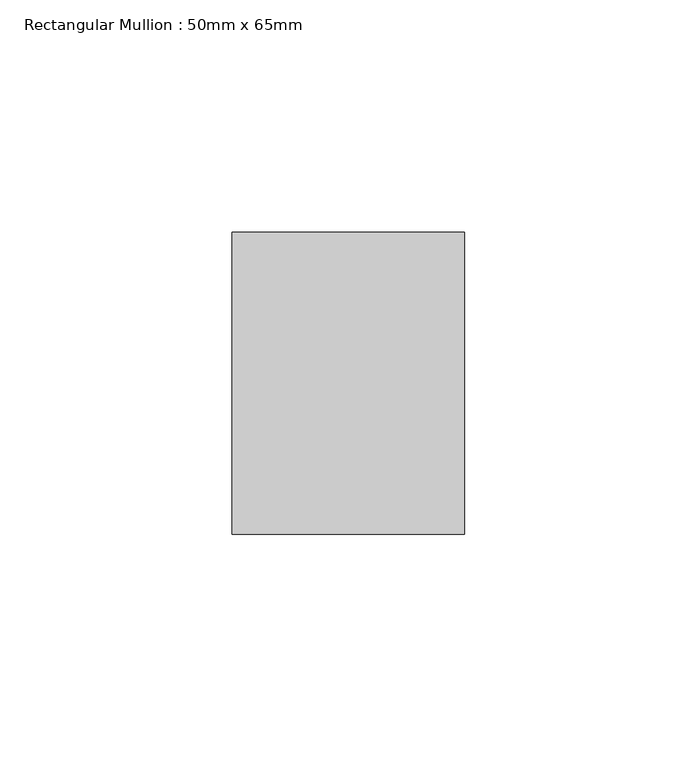
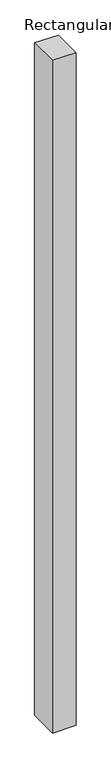
"""IFC4 building model written with IfcOpenShell, lengths in millimetres: member geometry, Rectangular Mullion : 50mm x 65mm."""

from ifc_helpers import new_model, si_unit, origin, place, context, project, spatial, faceted_brep, source, transform, mapped, element, save


def rectangular_mullion_50mm_x_65mm_5584f2d6(model_context):
    return source(origin(), model_context, "Body", "Brep", [
        faceted_brep([(-25.0, 32.5, -0.1835715), (25.0, 32.5, -0.183573), (25.0, 32.5, -1499.7334919), (-25.0, 32.5, -1499.7334942), (-25.0, -32.5, 0.183573), (-25.0, -32.5, -1500.26639), (25.0, -32.5, 0.1835715), (25.0, -32.5, -1500.2663877)], [[[0, 1, 2, 3]], [[4, 0, 3, 5]], [[6, 4, 5, 7]], [[1, 6, 7, 2]], [[1, 0, 4, 6]], [[2, 7, 5, 3]]]),
    ])


if __name__ == "__main__":
    model = new_model("IFC4")
    model_context = context("Model", 3, world=origin())
    ifc_project = project(units=[si_unit("LENGTHUNIT", "METRE", prefix="MILLI")], contexts=[model_context])
    site = spatial("IfcSite", under=ifc_project)
    building = spatial("IfcBuilding", under=site)
    placement = place(None, origin())
    rectangular_mullion_50mm_x_65mm_shape = rectangular_mullion_50mm_x_65mm_5584f2d6(model_context)
    element("IfcMember", 1, ObjectType="Rectangular Mullion : 50mm x 65mm", at=placement, inside=building, context=model_context, shape_type="MappedRepresentation", body=[
        mapped(rectangular_mullion_50mm_x_65mm_shape, transform((0.0, 0.0, 0.0), x_axis=(1.0, 0.0, 0.0), y_axis=(0.0, 1.0, 0.0), z_axis=(0.0, 0.0, 1.0))),
    ])
    save(model, "model.ifc")
